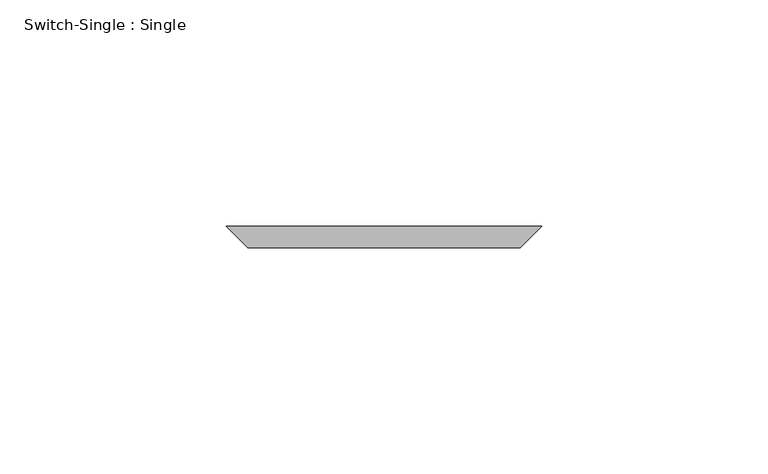
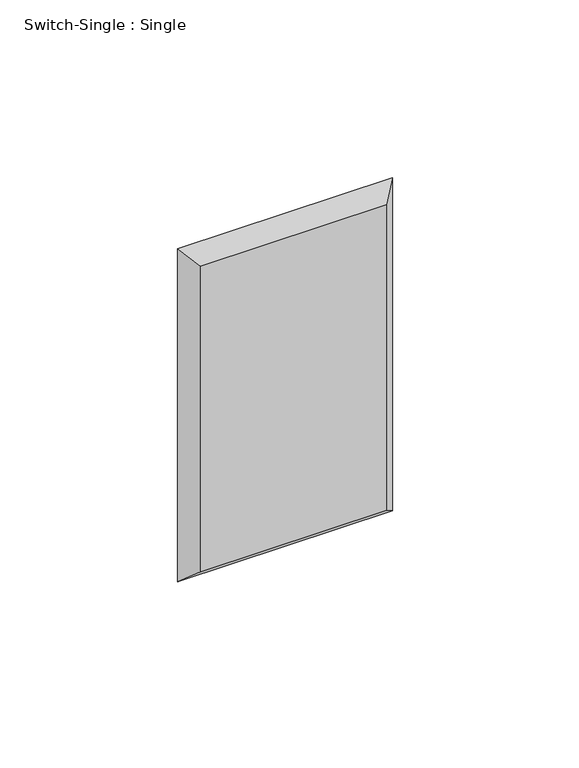
"""IFC4 building model written with IfcOpenShell, lengths in millimetres: proxy geometry, Switch-Single : Single."""

from ifc_helpers import new_model, si_unit, origin, place, context, project, spatial, faceted_brep, source, transform, mapped, element, save


def switch_single_single_c5af9e32(model_context):
    return source(origin(), model_context, "Body", "Brep", [
        faceted_brep([(-30.1625, -61.9125, 1271.5875), (-30.1625, -61.9125, 1166.8125), (30.1625, -61.9125, 1166.8125), (30.1625, -61.9125, 1271.5875), (-34.925, -57.15, 1276.35), (34.925, -57.15, 1276.35), (34.925, -57.15, 1162.05), (-34.925, -57.15, 1162.05)], [[[0, 1, 2, 3]], [[4, 5, 6, 7]], [[4, 0, 3, 5]], [[5, 3, 2, 6]], [[6, 2, 1, 7]], [[7, 1, 0, 4]]]),
    ])


if __name__ == "__main__":
    model = new_model("IFC4")
    model_context = context("Model", 3, world=origin())
    ifc_project = project(units=[si_unit("LENGTHUNIT", "METRE", prefix="MILLI")], contexts=[model_context])
    site = spatial("IfcSite", under=ifc_project)
    building = spatial("IfcBuilding", under=site)
    placement = place(None, origin())
    switch_single_single_shape = switch_single_single_c5af9e32(model_context)
    element("IfcBuildingElementProxy", 1, Name="Switch-Single : Single", ObjectType="Switch-Single : Single", at=placement, inside=building, context=model_context, shape_type="MappedRepresentation", body=[
        mapped(switch_single_single_shape, transform((0.0, 0.0, 0.0), x_axis=(1.0, 0.0, 0.0), y_axis=(0.0, 1.0, 0.0), z_axis=(0.0, 0.0, 1.0))),
    ])
    save(model, "model.ifc")
